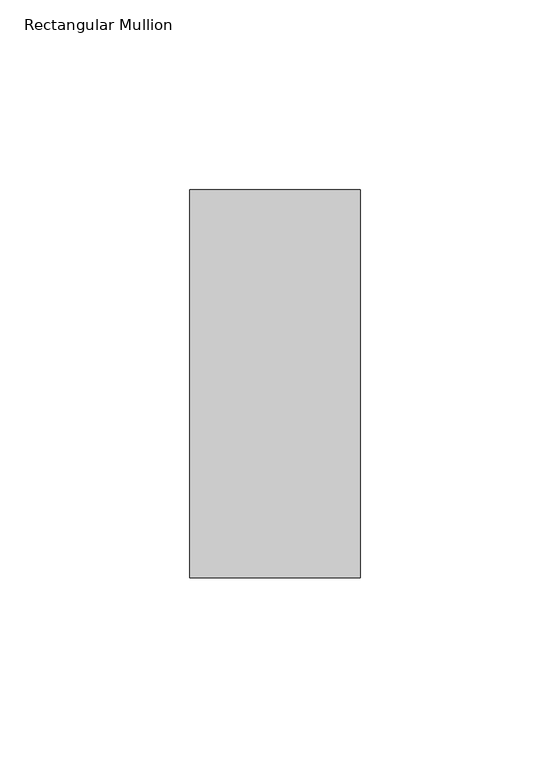
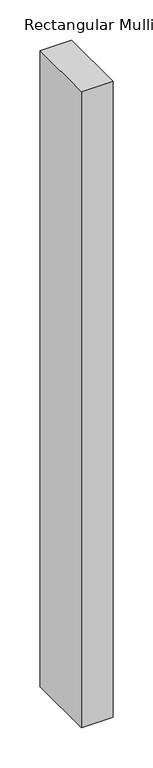
"""IFC4 building model written with IfcOpenShell, lengths in millimetres: member geometry, Rectangular Mullion."""

import ifcopenshell
import ifcopenshell.guid

model = None  # the IFC model being written
_history = None  # IfcOwnerHistory: only IFC2X3 demands one
_inside = {}  # id of a spatial element -> (the spatial element, [elements in it])
_under = {}  # id of a project, library or spatial element -> (it, [spatial elements below it])
_declared = {}  # id of a project -> (the project, [libraries it declares])
_typed = {}  # id of a type object -> (the type object, [elements of that type])
_made_of = {}  # id of a material, layer set ... -> (it, [elements and type objects made of it])


def new_model(schema):
    """Start an empty IFC model of exactly this schema.

    Asked for "IFC4X3", IfcOpenShell would pick the latest addendum, in which some entities
    have other attributes; the version numbers below select the first issue.
    IFC2X3 requires an IfcOwnerHistory on every rooted entity: one is made here for all.
    """
    global model, _history
    if schema == "IFC4X3":
        model = ifcopenshell.file(schema_version=(4, 3, 0, 0))
    else:
        model = ifcopenshell.file(schema=schema)
    _inside.clear()
    _under.clear()
    _declared.clear()
    _typed.clear()
    _made_of.clear()
    _history = None
    if model.schema == "IFC2X3":
        org = make("IfcOrganization", Name="unknown")
        user = make(
            "IfcPersonAndOrganization",
            ThePerson=make("IfcPerson", FamilyName="unknown"),
            TheOrganization=org,
        )
        app = make(
            "IfcApplication",
            ApplicationDeveloper=org,
            Version="unknown",
            ApplicationFullName="unknown",
            ApplicationIdentifier="unknown",
        )
        _history = make(
            "IfcOwnerHistory",
            OwningUser=user,
            OwningApplication=app,
            ChangeAction="ADDED",
            CreationDate=0,
        )
    return model


def make(cls, **values):
    """One entity of the class cls with the attributes given. An attribute that is None is left unset."""
    return model.create_entity(
        cls, **{name: value for name, value in values.items() if value is not None}
    )


def rooted(cls, **values):
    """An entity with a GlobalId (a new one), such as an element, a storey or a relation."""
    return make(cls, GlobalId=ifcopenshell.guid.new(), OwnerHistory=_history, **values)


def si_unit(unit_type, name, prefix=None):
    """IfcSIUnit, for example si_unit("LENGTHUNIT", "METRE", prefix="MILLI")."""
    return make("IfcSIUnit", UnitType=unit_type, Prefix=prefix, Name=name)


def assignment(units):
    """IfcUnitAssignment: the units of a project."""
    return None if units is None else make("IfcUnitAssignment", Units=units)


def point(xyz):
    """IfcCartesianPoint."""
    return None if xyz is None else make("IfcCartesianPoint", Coordinates=xyz)


def direction(xyz):
    """IfcDirection."""
    return None if xyz is None else make("IfcDirection", DirectionRatios=xyz)


def frame(location, z_axis=None, x_axis=None):
    """IfcAxis2Placement3D, a coordinate frame: its origin and axes. An axis left out is left unset."""
    return make(
        "IfcAxis2Placement3D",
        Location=point(location),
        Axis=direction(z_axis),
        RefDirection=direction(x_axis),
    )


def origin():
    """The frame at (0, 0, 0) with its axes left unset."""
    return frame((0.0, 0.0, 0.0))


def place(relative_to, where):
    """IfcLocalPlacement: puts the frame where relative to a parent placement (None: the world)."""
    return make(
        "IfcLocalPlacement", PlacementRelTo=relative_to, RelativePlacement=where
    )


def context(
    kind, dimensions, precision=None, world=None, true_north=None, identifier=None
):
    """IfcGeometricRepresentationContext, for example the 3D "Model" context."""
    return make(
        "IfcGeometricRepresentationContext",
        ContextIdentifier=identifier,
        ContextType=kind,
        CoordinateSpaceDimension=dimensions,
        Precision=precision,
        WorldCoordinateSystem=world,
        TrueNorth=true_north,
    )


def project(units=None, contexts=None):
    """IfcProject with its units and contexts."""
    return rooted(
        "IfcProject",
        Name="project",
        RepresentationContexts=contexts,
        UnitsInContext=assignment(units),
    )


def spatial(cls, under=None, at=None, **own):
    """A site, building, storey or space (cls), placed at a placement, below another one or the project."""
    s = rooted(cls, ObjectPlacement=at, **own)
    if under is not None:
        _under.setdefault(under.id(), (under, []))[1].append(s)
    return s


def polyline(points):
    """IfcPolyline through the points."""
    return make("IfcPolyline", Points=[point(p) for p in points])


def outline(outer, holes=None, kind="AREA"):
    """IfcArbitraryClosedProfileDef: a profile drawn as a closed curve; with holes, ...WithVoids."""
    if holes is None:
        return make("IfcArbitraryClosedProfileDef", ProfileType=kind, OuterCurve=outer)
    return make(
        "IfcArbitraryProfileDefWithVoids",
        ProfileType=kind,
        OuterCurve=outer,
        InnerCurves=holes,
    )


def extrude(swept, where, along, depth):
    """IfcExtrudedAreaSolid: the profile swept, set in the frame where, extruded along a direction by depth."""
    return make(
        "IfcExtrudedAreaSolid",
        SweptArea=swept,
        Position=where,
        ExtrudedDirection=direction(along),
        Depth=depth,
    )


def shape(context_of_items, identifier, shape_type, items):
    """IfcShapeRepresentation: the items that make up one representation, for example the "Body"."""
    return make(
        "IfcShapeRepresentation",
        ContextOfItems=context_of_items,
        RepresentationIdentifier=identifier,
        RepresentationType=shape_type,
        Items=items,
    )


def source(mapping_origin, context_of_items, identifier, shape_type, items):
    """IfcRepresentationMap: a shape defined once, which mapped items show again and again."""
    return make(
        "IfcRepresentationMap",
        MappingOrigin=mapping_origin,
        MappedRepresentation=shape(context_of_items, identifier, shape_type, items),
    )


def transform(
    local_origin,
    x_axis=None,
    y_axis=None,
    z_axis=None,
    scale=None,
    scale2=None,
    scale3=None,
    uniform=True,
):
    """IfcCartesianTransformationOperator3D, or its non-uniform kind. x_axis, y_axis, z_axis: its Axis1, 2, 3."""
    if uniform:
        return make(
            "IfcCartesianTransformationOperator3D",
            Axis1=direction(x_axis),
            Axis2=direction(y_axis),
            LocalOrigin=point(local_origin),
            Scale=scale,
            Axis3=direction(z_axis),
        )
    return make(
        "IfcCartesianTransformationOperator3DnonUniform",
        Axis1=direction(x_axis),
        Axis2=direction(y_axis),
        LocalOrigin=point(local_origin),
        Scale=scale,
        Axis3=direction(z_axis),
        Scale2=scale2,
        Scale3=scale3,
    )


def mapped(mapping_source, mapping_target):
    """IfcMappedItem: shows the shape of a source again, moved by a transform."""
    return make(
        "IfcMappedItem", MappingSource=mapping_source, MappingTarget=mapping_target
    )


def made_of(thing, what):
    """Note that an element or type object is made of a material, layer set ...; save() writes the relation."""
    if what is not None:
        _made_of.setdefault(what.id(), (what, []))[1].append(thing)
    return thing


def element(
    cls,
    number,
    at=None,
    inside=None,
    cuts=None,
    type_object=None,
    material=None,
    context=None,
    identifier="Body",
    shape_type=None,
    held_by="IfcProductDefinitionShape",
    body=None,
    shapes=None,
    **own,
):
    """One element of the class cls, such as IfcWall. Its Tag is "e" and its number.

    at: its placement. inside: the storey or other place that contains it. cuts: it is an
    opening in that element (IfcRelVoidsElement). A single representation is given by context,
    identifier, shape_type and body (its items); several are given by shapes. held_by: the class
    of the entity that holds the representations. save() writes the other relations.
    """
    e = rooted(cls, Tag="e%d" % number, ObjectPlacement=at, **own)
    if body is not None:
        shapes = [shape(context, identifier, shape_type, body)]
    if shapes is not None:
        e.Representation = make(held_by, Representations=shapes)
    if inside is not None:
        _inside.setdefault(inside.id(), (inside, []))[1].append(e)
    if cuts is not None:
        rooted(
            "IfcRelVoidsElement", RelatingBuildingElement=cuts, RelatedOpeningElement=e
        )
    if type_object is not None:
        _typed.setdefault(type_object.id(), (type_object, []))[1].append(e)
    return made_of(e, material)


def aggregate(whole, parts):
    """IfcRelAggregates: a whole, such as a stair, and the parts it consists of."""
    return rooted("IfcRelAggregates", RelatingObject=whole, RelatedObjects=parts)


def save(model, path):
    """Write the relations noted so far, then the file.

    IfcRelAggregates (storeys below a building ...), IfcRelContainedInSpatialStructure (elements
    in a storey), IfcRelDefinesByType, IfcRelAssociatesMaterial and IfcRelDeclares: one each for
    every whole, place, type object, material and project.
    """
    for whole, parts in _under.values():
        aggregate(whole, parts)
    for where, things in _inside.values():
        rooted(
            "IfcRelContainedInSpatialStructure",
            RelatedElements=things,
            RelatingStructure=where,
        )
    for kind, things in _typed.values():
        rooted("IfcRelDefinesByType", RelatedObjects=things, RelatingType=kind)
    for what, things in _made_of.values():
        rooted("IfcRelAssociatesMaterial", RelatedObjects=things, RelatingMaterial=what)
    for by, libraries in _declared.values():
        rooted("IfcRelDeclares", RelatingContext=by, RelatedDefinitions=libraries)
    model.write(path)


def rectangular_mullion_896f15cb(model_context):
    return source(origin(), model_context, "Body", "SweptSolid", [
        extrude(outline(polyline([(22.5, 66.73125), (22.5, -35.73125), (-22.5, -35.73125), (-22.5, 66.73125), (22.5, 66.73125)])), frame((0.0, 0.0, -961.787254), z_axis=(0.0, 0.0, 1.0), x_axis=(1.0, 0.0, 0.0)), (0.0, 0.0, 1.0), 961.787254),
    ])


if __name__ == "__main__":
    model = new_model("IFC4")
    model_context = context("Model", 3, world=origin())
    ifc_project = project(units=[si_unit("LENGTHUNIT", "METRE", prefix="MILLI")], contexts=[model_context])
    site = spatial("IfcSite", under=ifc_project)
    building = spatial("IfcBuilding", under=site)
    placement = place(None, origin())
    rectangular_mullion_shape = rectangular_mullion_896f15cb(model_context)
    element("IfcMember", 1, ObjectType="Rectangular Mullion", at=placement, inside=building, context=model_context, shape_type="MappedRepresentation", body=[
        mapped(rectangular_mullion_shape, transform((0.0, 0.0, 0.0), x_axis=(1.0, 0.0, 0.0), y_axis=(0.0, 1.0, 0.0), z_axis=(0.0, 0.0, 1.0))),
    ])
    save(model, "model.ifc")
